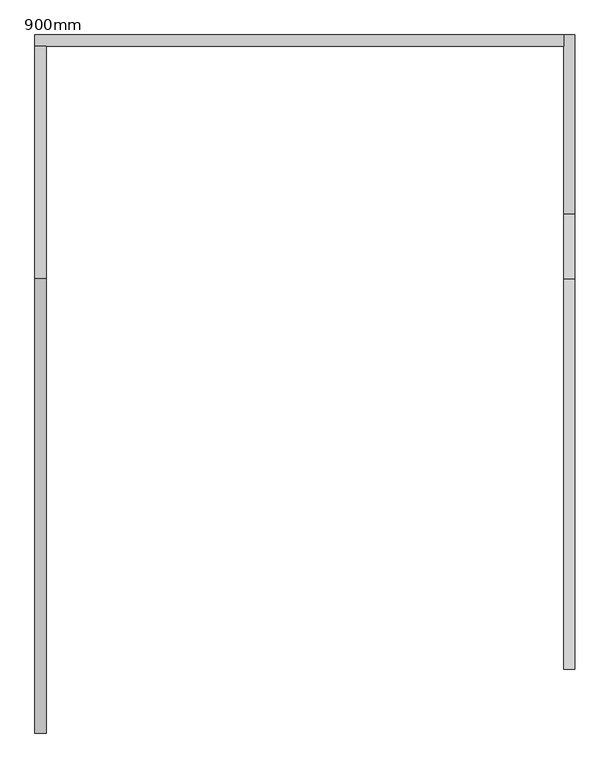
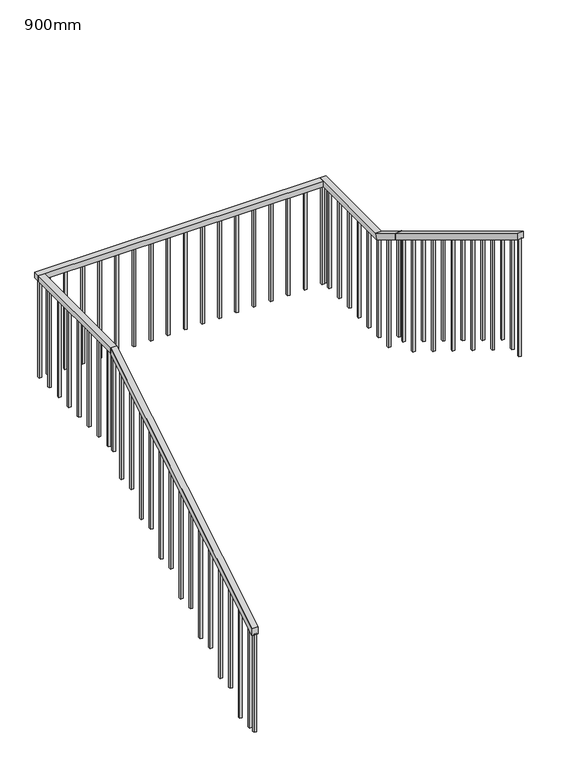
"""IFC4 building model written with IfcOpenShell, lengths in millimetres: railing geometry, 900mm."""

from ifc_helpers import new_model, si_unit, frame, origin, place, context, project, spatial, polyline, outline, extrude, faceted_brep, source, transform, mapped, element, save


def railing_900mm_89481da0(model_context):
    return source(origin(), model_context, "Body", "SolidModel", [
        faceted_brep([(-12326.3099616, -195.0780399, 1073.6), (-12326.3099616, -195.0780399, 1015.1018306), (-12276.3099616, -195.0780399, 1015.1018306), (-12276.3099616, -195.0780399, 1073.6), (-12326.3099616, 1805.9071151, 2288.8), (-12276.3099616, 1805.9071151, 2288.8), (-12276.3099616, 1805.9071151, 2230.3018306), (-12326.3099616, 1805.9071151, 2230.3018306)], [[[0, 1, 2, 3]], [[4, 5, 6, 7]], [[1, 0, 4, 7]], [[2, 1, 7, 6]], [[3, 2, 6, 5]], [[0, 3, 5, 4]]]),
        faceted_brep([(-12326.3099616, 1805.9071151, 2288.8), (-12326.3099616, 1805.9071151, 2238.8), (-12276.3099616, 1805.9071151, 2238.8), (-12276.3099616, 1805.9071151, 2288.8), (-12326.3099616, 2829.7071151, 2288.8), (-12276.3099616, 2829.7071151, 2288.8), (-12276.3099616, 2829.7071151, 2238.8), (-12326.3099616, 2829.7071151, 2238.8)], [[[0, 1, 2, 3]], [[4, 5, 6, 7]], [[1, 0, 4, 7]], [[2, 1, 7, 6]], [[3, 2, 6, 5]], [[0, 3, 5, 4]]]),
        faceted_brep([(-12326.3099616, 2879.7071151, 2288.8), (-12326.3099616, 2879.7071151, 2238.8), (-12326.3099616, 2829.7071151, 2238.8), (-12326.3099616, 2829.7071151, 2288.8), (-9997.9099616, 2879.7071151, 2288.8), (-9997.9099616, 2829.7071151, 2288.8), (-9997.9099616, 2829.7071151, 2238.8), (-9997.9099616, 2879.7071151, 2238.8)], [[[0, 1, 2, 3]], [[4, 5, 6, 7]], [[1, 0, 4, 7]], [[2, 1, 7, 6]], [[3, 2, 6, 5]], [[0, 3, 5, 4]]]),
        faceted_brep([(-9947.9099616, 2879.7071151, 2288.8), (-9947.9099616, 2879.7071151, 2238.8), (-9997.9099616, 2879.7071151, 2238.8), (-9997.9099616, 2879.7071151, 2288.8), (-9947.9099616, 2091.7621373, 2288.8), (-9947.9099616, 2077.7687939, 2238.8), (-9997.9099616, 2077.7687939, 2238.8), (-9997.9099616, 2091.7621373, 2288.8), (-9947.9099616, 1805.9071151, 2462.4), (-9997.9099616, 1805.9071151, 2462.4), (-9997.9099616, 1805.9071151, 2403.9018306), (-9947.9099616, 1805.9071151, 2403.9018306)], [[[0, 1, 2, 3]], [[1, 0, 4, 5]], [[2, 1, 5, 6]], [[3, 2, 6, 7]], [[0, 3, 7, 4]], [[8, 9, 10, 11]], [[5, 4, 8, 11]], [[6, 5, 11, 10]], [[7, 6, 10, 9]], [[4, 7, 9, 8]]]),
        faceted_brep([(-9947.9099616, 1805.9071151, 2462.4), (-9947.9099616, 1805.9071151, 2403.950901), (-9997.9099616, 1805.9071151, 2403.950901), (-9997.9099616, 1805.9071151, 2462.4), (-9947.9099616, 85.4145376, 3504.0), (-9997.9099616, 85.4145376, 3504.0), (-9997.9099616, 85.4145376, 3445.550901), (-9947.9099616, 85.4145376, 3445.550901)], [[[0, 1, 2, 3]], [[4, 5, 6, 7]], [[1, 0, 4, 7]], [[2, 1, 7, 6]], [[3, 2, 6, 5]], [[0, 3, 5, 4]]]),
        extrude(outline(polyline([(205.9071151, 2430.4), (185.9071151, 2430.4), (185.9071151, 3393.1609879), (205.9071151, 3381.0528276), (205.9071151, 2430.4)])), frame((-9982.9099616, 0.0, 0.0), z_axis=(1.0, 0.0, 0.0), x_axis=(0.0, 1.0, 0.0)), (0.0, 0.0, 1.0), 20.0),
        extrude(outline(polyline([(345.9071151, 2430.4), (325.9071151, 2430.4), (325.9071151, 3308.4038655), (345.9071151, 3296.2957052), (345.9071151, 2430.4)])), frame((-9982.9099616, 0.0, 0.0), z_axis=(1.0, 0.0, 0.0), x_axis=(0.0, 1.0, 0.0)), (0.0, 0.0, 1.0), 20.0),
        extrude(outline(polyline([(485.9071151, 2256.8), (465.9071151, 2256.8), (465.9071151, 3223.6467431), (485.9071151, 3211.5385827), (485.9071151, 2256.8)])), frame((-9982.9099616, 0.0, 0.0), z_axis=(1.0, 0.0, 0.0), x_axis=(0.0, 1.0, 0.0)), (0.0, 0.0, 1.0), 20.0),
        extrude(outline(polyline([(625.9071151, 2256.8), (605.9071151, 2256.8), (605.9071151, 3138.8896207), (625.9071151, 3126.7814603), (625.9071151, 2256.8)])), frame((-9982.9099616, 0.0, 0.0), z_axis=(1.0, 0.0, 0.0), x_axis=(0.0, 1.0, 0.0)), (0.0, 0.0, 1.0), 20.0),
        extrude(outline(polyline([(765.9071151, 2083.2), (745.9071151, 2083.2), (745.9071151, 3054.1324983), (765.9071151, 3042.0243379), (765.9071151, 2083.2)])), frame((-9982.9099616, 0.0, 0.0), z_axis=(1.0, 0.0, 0.0), x_axis=(0.0, 1.0, 0.0)), (0.0, 0.0, 1.0), 20.0),
        extrude(outline(polyline([(905.9071151, 2083.2), (885.9071151, 2083.2), (885.9071151, 2969.3753759), (905.9071151, 2957.2672155), (905.9071151, 2083.2)])), frame((-9982.9099616, 0.0, 0.0), z_axis=(1.0, 0.0, 0.0), x_axis=(0.0, 1.0, 0.0)), (0.0, 0.0, 1.0), 20.0),
        extrude(outline(polyline([(1045.9071151, 1909.6), (1025.9071151, 1909.6), (1025.9071151, 2884.6182534), (1045.9071151, 2872.5100931), (1045.9071151, 1909.6)])), frame((-9982.9099616, 0.0, 0.0), z_axis=(1.0, 0.0, 0.0), x_axis=(0.0, 1.0, 0.0)), (0.0, 0.0, 1.0), 20.0),
        extrude(outline(polyline([(1185.9071151, 1909.6), (1165.9071151, 1909.6), (1165.9071151, 2799.861131), (1185.9071151, 2787.7529707), (1185.9071151, 1909.6)])), frame((-9982.9099616, 0.0, 0.0), z_axis=(1.0, 0.0, 0.0), x_axis=(0.0, 1.0, 0.0)), (0.0, 0.0, 1.0), 20.0),
        extrude(outline(polyline([(1325.9071151, 1736.0), (1305.9071151, 1736.0), (1305.9071151, 2715.1040086), (1325.9071151, 2702.9958483), (1325.9071151, 1736.0)])), frame((-9982.9099616, 0.0, 0.0), z_axis=(1.0, 0.0, 0.0), x_axis=(0.0, 1.0, 0.0)), (0.0, 0.0, 1.0), 20.0),
        extrude(outline(polyline([(1465.9071151, 1736.0), (1445.9071151, 1736.0), (1445.9071151, 2630.3468862), (1465.9071151, 2618.2387259), (1465.9071151, 1736.0)])), frame((-9982.9099616, 0.0, 0.0), z_axis=(1.0, 0.0, 0.0), x_axis=(0.0, 1.0, 0.0)), (0.0, 0.0, 1.0), 20.0),
        extrude(outline(polyline([(1605.9071151, 1562.4), (1585.9071151, 1562.4), (1585.9071151, 2545.5897638), (1605.9071151, 2533.4816034), (1605.9071151, 1562.4)])), frame((-9982.9099616, 0.0, 0.0), z_axis=(1.0, 0.0, 0.0), x_axis=(0.0, 1.0, 0.0)), (0.0, 0.0, 1.0), 20.0),
        extrude(outline(polyline([(1745.9071151, 1562.4), (1725.9071151, 1562.4), (1725.9071151, 2460.9840686), (1745.9071151, 2448.8380514), (1745.9071151, 1562.4)])), frame((-9982.9099616, 0.0, 0.0), z_axis=(1.0, 0.0, 0.0), x_axis=(0.0, 1.0, 0.0)), (0.0, 0.0, 1.0), 20.0),
        extrude(outline(polyline([(1954.7071151, 1388.8), (1934.7071151, 1388.8), (1934.7071151, 2334.1796496), (1954.7071151, 2322.0336324), (1954.7071151, 1388.8)])), frame((-9982.9099616, 0.0, 0.0), z_axis=(1.0, 0.0, 0.0), x_axis=(0.0, 1.0, 0.0)), (0.0, 0.0, 1.0), 20.0),
        extrude(outline(polyline([(2094.7071151, 1388.8), (2074.7071151, 1388.8), (2074.7071151, 2249.1575296), (2094.7071151, 2237.0115124), (2094.7071151, 1388.8)])), frame((-9982.9099616, 0.0, 0.0), z_axis=(1.0, 0.0, 0.0), x_axis=(0.0, 1.0, 0.0)), (0.0, 0.0, 1.0), 20.0),
        extrude(outline(polyline([(-9962.9099616, 2234.7071151), (-9962.9099616, 2214.7071151), (-9982.9099616, 2214.7071151), (-9982.9099616, 2234.7071151), (-9962.9099616, 2234.7071151)])), frame((0.0, 0.0, 1388.8), z_axis=(0.0, 0.0, 1.0), x_axis=(1.0, 0.0, 0.0)), (0.0, 0.0, 1.0), 850.0),
        extrude(outline(polyline([(-9962.9099616, 2374.7071151), (-9962.9099616, 2354.7071151), (-9982.9099616, 2354.7071151), (-9982.9099616, 2374.7071151), (-9962.9099616, 2374.7071151)])), frame((0.0, 0.0, 1388.8), z_axis=(0.0, 0.0, 1.0), x_axis=(1.0, 0.0, 0.0)), (0.0, 0.0, 1.0), 850.0),
        extrude(outline(polyline([(-9962.9099616, 2514.7071151), (-9962.9099616, 2494.7071151), (-9982.9099616, 2494.7071151), (-9982.9099616, 2514.7071151), (-9962.9099616, 2514.7071151)])), frame((0.0, 0.0, 1388.8), z_axis=(0.0, 0.0, 1.0), x_axis=(1.0, 0.0, 0.0)), (0.0, 0.0, 1.0), 850.0),
        extrude(outline(polyline([(-9962.9099616, 2654.7071151), (-9962.9099616, 2634.7071151), (-9982.9099616, 2634.7071151), (-9982.9099616, 2654.7071151), (-9962.9099616, 2654.7071151)])), frame((0.0, 0.0, 1388.8), z_axis=(0.0, 0.0, 1.0), x_axis=(1.0, 0.0, 0.0)), (0.0, 0.0, 1.0), 850.0),
        extrude(outline(polyline([(-9962.9099616, 2794.7071151), (-9962.9099616, 2774.7071151), (-9982.9099616, 2774.7071151), (-9982.9099616, 2794.7071151), (-9962.9099616, 2794.7071151)])), frame((0.0, 0.0, 1388.8), z_axis=(0.0, 0.0, 1.0), x_axis=(1.0, 0.0, 0.0)), (0.0, 0.0, 1.0), 850.0),
        extrude(outline(polyline([(-10001.3099616, 2864.7071151), (-9981.3099616, 2864.7071151), (-9981.3099616, 2844.7071151), (-10001.3099616, 2844.7071151), (-10001.3099616, 2864.7071151)])), frame((0.0, 0.0, 1388.8), z_axis=(0.0, 0.0, 1.0), x_axis=(1.0, 0.0, 0.0)), (0.0, 0.0, 1.0), 850.0),
        extrude(outline(polyline([(-10141.3099616, 2864.7071151), (-10121.3099616, 2864.7071151), (-10121.3099616, 2844.7071151), (-10141.3099616, 2844.7071151), (-10141.3099616, 2864.7071151)])), frame((0.0, 0.0, 1388.8), z_axis=(0.0, 0.0, 1.0), x_axis=(1.0, 0.0, 0.0)), (0.0, 0.0, 1.0), 850.0),
        extrude(outline(polyline([(-10281.3099616, 2864.7071151), (-10261.3099616, 2864.7071151), (-10261.3099616, 2844.7071151), (-10281.3099616, 2844.7071151), (-10281.3099616, 2864.7071151)])), frame((0.0, 0.0, 1388.8), z_axis=(0.0, 0.0, 1.0), x_axis=(1.0, 0.0, 0.0)), (0.0, 0.0, 1.0), 850.0),
        extrude(outline(polyline([(-10421.3099616, 2864.7071151), (-10401.3099616, 2864.7071151), (-10401.3099616, 2844.7071151), (-10421.3099616, 2844.7071151), (-10421.3099616, 2864.7071151)])), frame((0.0, 0.0, 1388.8), z_axis=(0.0, 0.0, 1.0), x_axis=(1.0, 0.0, 0.0)), (0.0, 0.0, 1.0), 850.0),
        extrude(outline(polyline([(-10561.3099616, 2864.7071151), (-10541.3099616, 2864.7071151), (-10541.3099616, 2844.7071151), (-10561.3099616, 2844.7071151), (-10561.3099616, 2864.7071151)])), frame((0.0, 0.0, 1388.8), z_axis=(0.0, 0.0, 1.0), x_axis=(1.0, 0.0, 0.0)), (0.0, 0.0, 1.0), 850.0),
        extrude(outline(polyline([(-10701.3099616, 2864.7071151), (-10681.3099616, 2864.7071151), (-10681.3099616, 2844.7071151), (-10701.3099616, 2844.7071151), (-10701.3099616, 2864.7071151)])), frame((0.0, 0.0, 1388.8), z_axis=(0.0, 0.0, 1.0), x_axis=(1.0, 0.0, 0.0)), (0.0, 0.0, 1.0), 850.0),
        extrude(outline(polyline([(-10841.3099616, 2864.7071151), (-10821.3099616, 2864.7071151), (-10821.3099616, 2844.7071151), (-10841.3099616, 2844.7071151), (-10841.3099616, 2864.7071151)])), frame((0.0, 0.0, 1388.8), z_axis=(0.0, 0.0, 1.0), x_axis=(1.0, 0.0, 0.0)), (0.0, 0.0, 1.0), 850.0),
        extrude(outline(polyline([(-10981.3099616, 2864.7071151), (-10961.3099616, 2864.7071151), (-10961.3099616, 2844.7071151), (-10981.3099616, 2844.7071151), (-10981.3099616, 2864.7071151)])), frame((0.0, 0.0, 1388.8), z_axis=(0.0, 0.0, 1.0), x_axis=(1.0, 0.0, 0.0)), (0.0, 0.0, 1.0), 850.0),
        extrude(outline(polyline([(-11121.3099616, 2864.7071151), (-11101.3099616, 2864.7071151), (-11101.3099616, 2844.7071151), (-11121.3099616, 2844.7071151), (-11121.3099616, 2864.7071151)])), frame((0.0, 0.0, 1388.8), z_axis=(0.0, 0.0, 1.0), x_axis=(1.0, 0.0, 0.0)), (0.0, 0.0, 1.0), 850.0),
        extrude(outline(polyline([(-11261.3099616, 2864.7071151), (-11241.3099616, 2864.7071151), (-11241.3099616, 2844.7071151), (-11261.3099616, 2844.7071151), (-11261.3099616, 2864.7071151)])), frame((0.0, 0.0, 1388.8), z_axis=(0.0, 0.0, 1.0), x_axis=(1.0, 0.0, 0.0)), (0.0, 0.0, 1.0), 850.0),
        extrude(outline(polyline([(-11401.3099616, 2864.7071151), (-11381.3099616, 2864.7071151), (-11381.3099616, 2844.7071151), (-11401.3099616, 2844.7071151), (-11401.3099616, 2864.7071151)])), frame((0.0, 0.0, 1388.8), z_axis=(0.0, 0.0, 1.0), x_axis=(1.0, 0.0, 0.0)), (0.0, 0.0, 1.0), 850.0),
        extrude(outline(polyline([(-11541.3099616, 2864.7071151), (-11521.3099616, 2864.7071151), (-11521.3099616, 2844.7071151), (-11541.3099616, 2844.7071151), (-11541.3099616, 2864.7071151)])), frame((0.0, 0.0, 1388.8), z_axis=(0.0, 0.0, 1.0), x_axis=(1.0, 0.0, 0.0)), (0.0, 0.0, 1.0), 850.0),
        extrude(outline(polyline([(-11681.3099616, 2864.7071151), (-11661.3099616, 2864.7071151), (-11661.3099616, 2844.7071151), (-11681.3099616, 2844.7071151), (-11681.3099616, 2864.7071151)])), frame((0.0, 0.0, 1388.8), z_axis=(0.0, 0.0, 1.0), x_axis=(1.0, 0.0, 0.0)), (0.0, 0.0, 1.0), 850.0),
        extrude(outline(polyline([(-11821.3099616, 2864.7071151), (-11801.3099616, 2864.7071151), (-11801.3099616, 2844.7071151), (-11821.3099616, 2844.7071151), (-11821.3099616, 2864.7071151)])), frame((0.0, 0.0, 1388.8), z_axis=(0.0, 0.0, 1.0), x_axis=(1.0, 0.0, 0.0)), (0.0, 0.0, 1.0), 850.0),
        extrude(outline(polyline([(-11961.3099616, 2864.7071151), (-11941.3099616, 2864.7071151), (-11941.3099616, 2844.7071151), (-11961.3099616, 2844.7071151), (-11961.3099616, 2864.7071151)])), frame((0.0, 0.0, 1388.8), z_axis=(0.0, 0.0, 1.0), x_axis=(1.0, 0.0, 0.0)), (0.0, 0.0, 1.0), 850.0),
        extrude(outline(polyline([(-12101.3099616, 2864.7071151), (-12081.3099616, 2864.7071151), (-12081.3099616, 2844.7071151), (-12101.3099616, 2844.7071151), (-12101.3099616, 2864.7071151)])), frame((0.0, 0.0, 1388.8), z_axis=(0.0, 0.0, 1.0), x_axis=(1.0, 0.0, 0.0)), (0.0, 0.0, 1.0), 850.0),
        extrude(outline(polyline([(-12241.3099616, 2864.7071151), (-12221.3099616, 2864.7071151), (-12221.3099616, 2844.7071151), (-12241.3099616, 2844.7071151), (-12241.3099616, 2864.7071151)])), frame((0.0, 0.0, 1388.8), z_axis=(0.0, 0.0, 1.0), x_axis=(1.0, 0.0, 0.0)), (0.0, 0.0, 1.0), 850.0),
        extrude(outline(polyline([(-12311.3099616, 2705.9071151), (-12311.3099616, 2725.9071151), (-12291.3099616, 2725.9071151), (-12291.3099616, 2705.9071151), (-12311.3099616, 2705.9071151)])), frame((0.0, 0.0, 1388.8), z_axis=(0.0, 0.0, 1.0), x_axis=(1.0, 0.0, 0.0)), (0.0, 0.0, 1.0), 850.0),
        extrude(outline(polyline([(-12311.3099616, 2565.9071151), (-12311.3099616, 2585.9071151), (-12291.3099616, 2585.9071151), (-12291.3099616, 2565.9071151), (-12311.3099616, 2565.9071151)])), frame((0.0, 0.0, 1388.8), z_axis=(0.0, 0.0, 1.0), x_axis=(1.0, 0.0, 0.0)), (0.0, 0.0, 1.0), 850.0),
        extrude(outline(polyline([(-12311.3099616, 2425.9071151), (-12311.3099616, 2445.9071151), (-12291.3099616, 2445.9071151), (-12291.3099616, 2425.9071151), (-12311.3099616, 2425.9071151)])), frame((0.0, 0.0, 1388.8), z_axis=(0.0, 0.0, 1.0), x_axis=(1.0, 0.0, 0.0)), (0.0, 0.0, 1.0), 850.0),
        extrude(outline(polyline([(-12311.3099616, 2285.9071151), (-12311.3099616, 2305.9071151), (-12291.3099616, 2305.9071151), (-12291.3099616, 2285.9071151), (-12311.3099616, 2285.9071151)])), frame((0.0, 0.0, 1388.8), z_axis=(0.0, 0.0, 1.0), x_axis=(1.0, 0.0, 0.0)), (0.0, 0.0, 1.0), 850.0),
        extrude(outline(polyline([(-12311.3099616, 2145.9071151), (-12311.3099616, 2165.9071151), (-12291.3099616, 2165.9071151), (-12291.3099616, 2145.9071151), (-12311.3099616, 2145.9071151)])), frame((0.0, 0.0, 1388.8), z_axis=(0.0, 0.0, 1.0), x_axis=(1.0, 0.0, 0.0)), (0.0, 0.0, 1.0), 850.0),
        extrude(outline(polyline([(-12311.3099616, 2005.9071151), (-12311.3099616, 2025.9071151), (-12291.3099616, 2025.9071151), (-12291.3099616, 2005.9071151), (-12311.3099616, 2005.9071151)])), frame((0.0, 0.0, 1388.8), z_axis=(0.0, 0.0, 1.0), x_axis=(1.0, 0.0, 0.0)), (0.0, 0.0, 1.0), 850.0),
        extrude(outline(polyline([(-12311.3099616, 1865.9071151), (-12311.3099616, 1885.9071151), (-12291.3099616, 1885.9071151), (-12291.3099616, 1865.9071151), (-12311.3099616, 1865.9071151)])), frame((0.0, 0.0, 1388.8), z_axis=(0.0, 0.0, 1.0), x_axis=(1.0, 0.0, 0.0)), (0.0, 0.0, 1.0), 850.0),
        extrude(outline(polyline([(1684.9219601, 2165.3256117), (1704.9219601, 2177.4716288), (1704.9219601, 1215.2), (1684.9219601, 1215.2), (1684.9219601, 2165.3256117)])), frame((-12311.3099616, 0.0, 0.0), z_axis=(1.0, 0.0, 0.0), x_axis=(0.0, 1.0, 0.0)), (0.0, 0.0, 1.0), 20.0),
        extrude(outline(polyline([(1544.9219601, 2080.3034916), (1564.9219601, 2092.4495088), (1564.9219601, 1215.2), (1544.9219601, 1215.2), (1544.9219601, 2080.3034916)])), frame((-12311.3099616, 0.0, 0.0), z_axis=(1.0, 0.0, 0.0), x_axis=(0.0, 1.0, 0.0)), (0.0, 0.0, 1.0), 20.0),
        extrude(outline(polyline([(1404.9219601, 1995.2813716), (1424.9219601, 2007.4273888), (1424.9219601, 1041.6), (1404.9219601, 1041.6), (1404.9219601, 1995.2813716)])), frame((-12311.3099616, 0.0, 0.0), z_axis=(1.0, 0.0, 0.0), x_axis=(0.0, 1.0, 0.0)), (0.0, 0.0, 1.0), 20.0),
        extrude(outline(polyline([(1264.9219601, 1910.2592516), (1284.9219601, 1922.4052688), (1284.9219601, 1041.6), (1264.9219601, 1041.6), (1264.9219601, 1910.2592516)])), frame((-12311.3099616, 0.0, 0.0), z_axis=(1.0, 0.0, 0.0), x_axis=(0.0, 1.0, 0.0)), (0.0, 0.0, 1.0), 20.0),
        extrude(outline(polyline([(1124.9219601, 1825.2371316), (1144.9219601, 1837.3831487), (1144.9219601, 868.0), (1124.9219601, 868.0), (1124.9219601, 1825.2371316)])), frame((-12311.3099616, 0.0, 0.0), z_axis=(1.0, 0.0, 0.0), x_axis=(0.0, 1.0, 0.0)), (0.0, 0.0, 1.0), 20.0),
        extrude(outline(polyline([(984.9219601, 1740.2150116), (1004.9219601, 1752.3610287), (1004.9219601, 868.0), (984.9219601, 868.0), (984.9219601, 1740.2150116)])), frame((-12311.3099616, 0.0, 0.0), z_axis=(1.0, 0.0, 0.0), x_axis=(0.0, 1.0, 0.0)), (0.0, 0.0, 1.0), 20.0),
        extrude(outline(polyline([(844.9219601, 1655.1928916), (864.9219601, 1667.3389087), (864.9219601, 694.4), (844.9219601, 694.4), (844.9219601, 1655.1928916)])), frame((-12311.3099616, 0.0, 0.0), z_axis=(1.0, 0.0, 0.0), x_axis=(0.0, 1.0, 0.0)), (0.0, 0.0, 1.0), 20.0),
        extrude(outline(polyline([(704.9219601, 1570.1707715), (724.9219601, 1582.3167887), (724.9219601, 694.4), (704.9219601, 694.4), (704.9219601, 1570.1707715)])), frame((-12311.3099616, 0.0, 0.0), z_axis=(1.0, 0.0, 0.0), x_axis=(0.0, 1.0, 0.0)), (0.0, 0.0, 1.0), 20.0),
        extrude(outline(polyline([(564.9219601, 1485.1486515), (584.9219601, 1497.2946687), (584.9219601, 520.8), (564.9219601, 520.8), (564.9219601, 1485.1486515)])), frame((-12311.3099616, 0.0, 0.0), z_axis=(1.0, 0.0, 0.0), x_axis=(0.0, 1.0, 0.0)), (0.0, 0.0, 1.0), 20.0),
        extrude(outline(polyline([(424.9219601, 1400.1265315), (444.9219601, 1412.2725486), (444.9219601, 520.8), (424.9219601, 520.8), (424.9219601, 1400.1265315)])), frame((-12311.3099616, 0.0, 0.0), z_axis=(1.0, 0.0, 0.0), x_axis=(0.0, 1.0, 0.0)), (0.0, 0.0, 1.0), 20.0),
        extrude(outline(polyline([(284.9219601, 1315.1044115), (304.9219601, 1327.2504286), (304.9219601, 347.2), (284.9219601, 347.2), (284.9219601, 1315.1044115)])), frame((-12311.3099616, 0.0, 0.0), z_axis=(1.0, 0.0, 0.0), x_axis=(0.0, 1.0, 0.0)), (0.0, 0.0, 1.0), 20.0),
        extrude(outline(polyline([(144.9219601, 1230.0822915), (164.9219601, 1242.2283086), (164.9219601, 347.2), (144.9219601, 347.2), (144.9219601, 1230.0822915)])), frame((-12311.3099616, 0.0, 0.0), z_axis=(1.0, 0.0, 0.0), x_axis=(0.0, 1.0, 0.0)), (0.0, 0.0, 1.0), 20.0),
        extrude(outline(polyline([(4.9219601, 1145.0601715), (24.9219601, 1157.2061886), (24.9219601, 173.6), (4.9219601, 173.6), (4.9219601, 1145.0601715)])), frame((-12311.3099616, 0.0, 0.0), z_axis=(1.0, 0.0, 0.0), x_axis=(0.0, 1.0, 0.0)), (0.0, 0.0, 1.0), 20.0),
        extrude(outline(polyline([(-135.0780399, 1060.0380514), (-115.0780399, 1072.1840686), (-115.0780399, 173.6), (-135.0780399, 173.6), (-135.0780399, 1060.0380514)])), frame((-12311.3099616, 0.0, 0.0), z_axis=(1.0, 0.0, 0.0), x_axis=(0.0, 1.0, 0.0)), (0.0, 0.0, 1.0), 20.0),
        extrude(outline(polyline([(1815.9071151, 1562.4), (1795.9071151, 1562.4), (1795.9071151, 2418.4730086), (1815.9071151, 2406.3269914), (1815.9071151, 1562.4)])), frame((-9982.9099616, 0.0, 0.0), z_axis=(1.0, 0.0, 0.0), x_axis=(0.0, 1.0, 0.0)), (0.0, 0.0, 1.0), 20.0),
        extrude(outline(polyline([(-9982.9099616, 2864.7071151), (-9962.9099616, 2864.7071151), (-9962.9099616, 2844.7071151), (-9982.9099616, 2844.7071151), (-9982.9099616, 2864.7071151)])), frame((0.0, 0.0, 1388.8), z_axis=(0.0, 0.0, 1.0), x_axis=(1.0, 0.0, 0.0)), (0.0, 0.0, 1.0), 850.0),
        extrude(outline(polyline([(-12311.3099616, 2844.7071151), (-12311.3099616, 2864.7071151), (-12291.3099616, 2864.7071151), (-12291.3099616, 2844.7071151), (-12311.3099616, 2844.7071151)])), frame((0.0, 0.0, 1388.8), z_axis=(0.0, 0.0, 1.0), x_axis=(1.0, 0.0, 0.0)), (0.0, 0.0, 1.0), 850.0),
        extrude(outline(polyline([(1795.9071151, 2232.7269914), (1815.9071151, 2244.8730086), (1815.9071151, 1388.8), (1795.9071151, 1388.8), (1795.9071151, 2232.7269914)])), frame((-12311.3099616, 0.0, 0.0), z_axis=(1.0, 0.0, 0.0), x_axis=(0.0, 1.0, 0.0)), (0.0, 0.0, 1.0), 20.0),
        extrude(outline(polyline([(105.4145376, 2430.4), (85.4145376, 2430.4), (85.4145376, 3454.0), (105.4145376, 3441.8918397), (105.4145376, 2430.4)])), frame((-9982.9099616, 0.0, 0.0), z_axis=(1.0, 0.0, 0.0), x_axis=(0.0, 1.0, 0.0)), (0.0, 0.0, 1.0), 20.0),
        extrude(outline(polyline([(-195.0780399, 1023.6), (-175.0780399, 1035.7460171), (-175.0780399, 173.6), (-195.0780399, 173.6), (-195.0780399, 1023.6)])), frame((-12311.3099616, 0.0, 0.0), z_axis=(1.0, 0.0, 0.0), x_axis=(0.0, 1.0, 0.0)), (0.0, 0.0, 1.0), 20.0),
    ])


if __name__ == "__main__":
    model = new_model("IFC4")
    model_context = context("Model", 3, world=origin())
    ifc_project = project(units=[si_unit("LENGTHUNIT", "METRE", prefix="MILLI")], contexts=[model_context])
    site = spatial("IfcSite", under=ifc_project)
    building = spatial("IfcBuilding", under=site)
    placement = place(None, origin())
    railing_900mm_shape = railing_900mm_89481da0(model_context)
    element("IfcRailing", 1, ObjectType="900mm", at=placement, inside=building, context=model_context, shape_type="MappedRepresentation", body=[
        mapped(railing_900mm_shape, transform((0.0, 0.0, 0.0), x_axis=(1.0, 0.0, 0.0), y_axis=(0.0, 1.0, 0.0), z_axis=(0.0, 0.0, 1.0))),
    ])
    save(model, "model.ifc")
